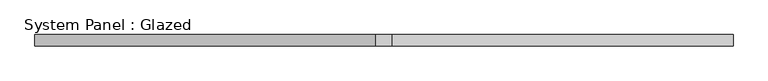
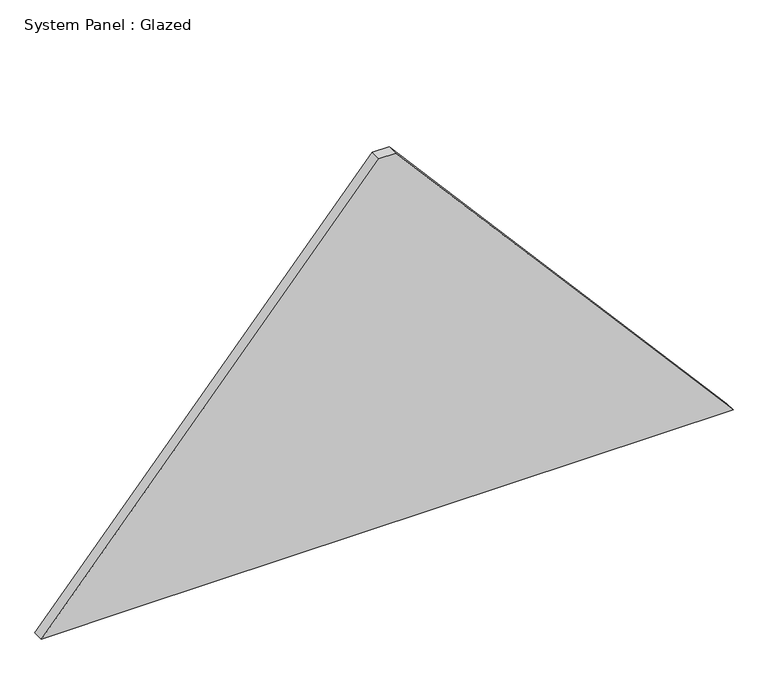
"""IFC4 building model written with IfcOpenShell, lengths in millimetres: plate geometry, System Panel : Glazed."""

from ifc_helpers import new_model, si_unit, frame, origin, place, context, project, spatial, polyline, outline, extrude, source, transform, mapped, element, save


def system_panel_glazed_fff69eb4(model_context):
    return source(origin(), model_context, "Body", "SweptSolid", [
        extrude(outline(polyline([(0.0, -763.4240652), (0.0, -552.7814558), (0.0, 763.4240652), (860.2519011, 18.4240652), (860.2519011, -18.4240652), (0.0, -763.4240652)])), frame((0.0, 24.5, 0.0), z_axis=(0.0, 1.0, 0.0), x_axis=(0.0, 0.0, 1.0)), (0.0, 0.0, 1.0), 25.0),
    ])


if __name__ == "__main__":
    model = new_model("IFC4")
    model_context = context("Model", 3, world=origin())
    ifc_project = project(units=[si_unit("LENGTHUNIT", "METRE", prefix="MILLI")], contexts=[model_context])
    site = spatial("IfcSite", under=ifc_project)
    building = spatial("IfcBuilding", under=site)
    placement = place(None, origin())
    system_panel_glazed_shape = system_panel_glazed_fff69eb4(model_context)
    element("IfcPlate", 1, ObjectType="System Panel : Glazed", at=placement, inside=building, context=model_context, shape_type="MappedRepresentation", body=[
        mapped(system_panel_glazed_shape, transform((0.0, 0.0, 0.0), x_axis=(1.0, 0.0, 0.0), y_axis=(0.0, 1.0, 0.0), z_axis=(0.0, 0.0, 1.0))),
    ])
    save(model, "model.ifc")
